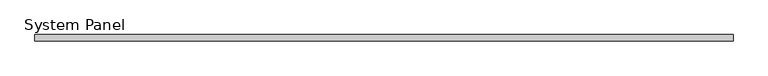
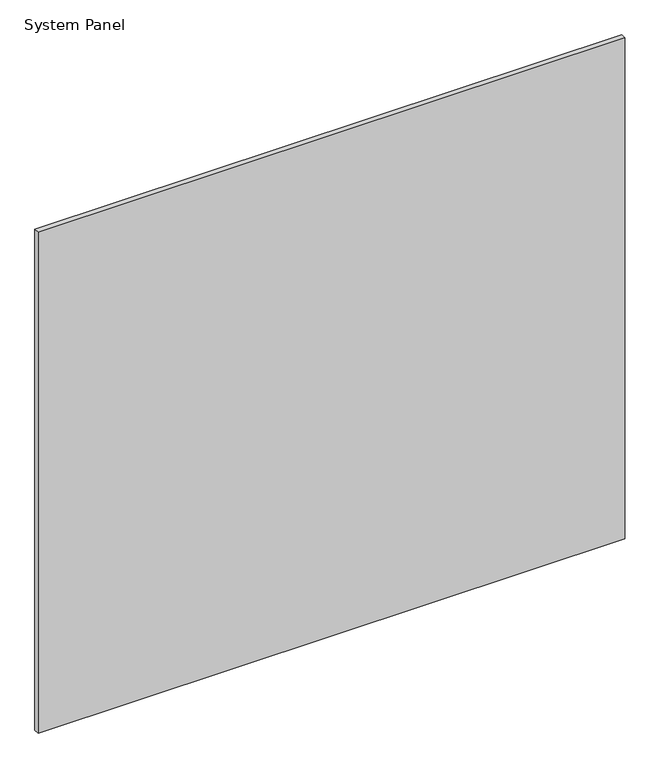
"""IFC4 building model written with IfcOpenShell, lengths in millimetres: plate geometry, System Panel."""

from ifc_helpers import new_model, si_unit, origin, origin_with_axes, place, context, project, spatial, polyline, outline, extrude, source, transform, mapped, element, save


def system_panel_58135703(model_context):
    return source(origin(), model_context, "Body", "SweptSolid", [
        extrude(outline(polyline([(547.9675001, -5.0), (-547.9675001, -5.0), (-547.9675001, 5.0), (547.9675001, 5.0), (547.9675001, -5.0)])), origin_with_axes(), (0.0, 0.0, 1.0), 988.91875),
    ])


if __name__ == "__main__":
    model = new_model("IFC4")
    model_context = context("Model", 3, world=origin())
    ifc_project = project(units=[si_unit("LENGTHUNIT", "METRE", prefix="MILLI")], contexts=[model_context])
    site = spatial("IfcSite", under=ifc_project)
    building = spatial("IfcBuilding", under=site)
    placement = place(None, origin())
    system_panel_shape = system_panel_58135703(model_context)
    element("IfcPlate", 1, ObjectType="System Panel", at=placement, inside=building, context=model_context, shape_type="MappedRepresentation", body=[
        mapped(system_panel_shape, transform((0.0, 0.0, 0.0), x_axis=(1.0, 0.0, 0.0), y_axis=(0.0, 1.0, 0.0), z_axis=(0.0, 0.0, 1.0))),
    ])
    save(model, "model.ifc")
